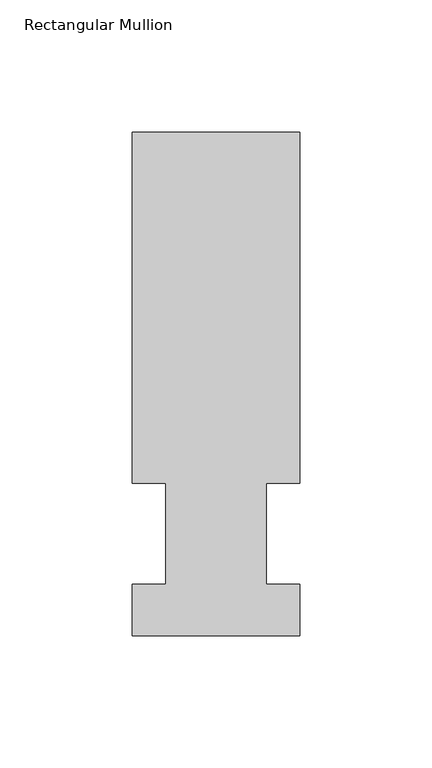
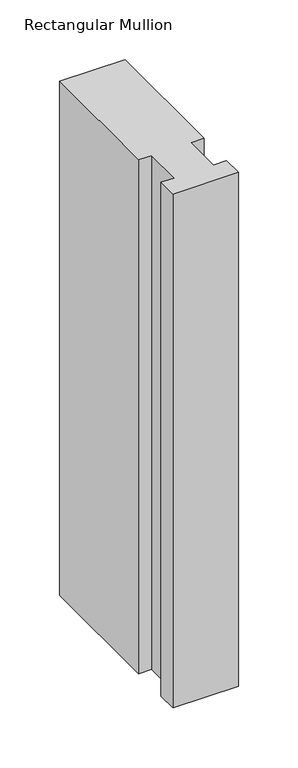
"""IFC4 building model written with IfcOpenShell, lengths in millimetres: member geometry, Rectangular Mullion."""

from ifc_helpers import new_model, si_unit, frame, origin, place, context, project, spatial, polyline, outline, extrude, source, transform, mapped, element, save


def rectangular_mullion_9567c9ca(model_context):
    return source(origin(), model_context, "Body", "SweptSolid", [
        extrude(outline(polyline([(-63.5, 190.5896938), (0.0, 190.5896938), (0.0, 57.6460937), (-12.6873, 57.6460937), (-12.6873, 19.5460938), (0.0, 19.5460938), (0.0, 0.0134938), (-63.5, 0.0134938), (-63.5, 19.5460938), (-50.8, 19.5460938), (-50.8, 57.6460937), (-63.5, 57.6460937), (-63.5, 190.5896938)])), frame((0.0, 0.0, -527.1259305), z_axis=(0.0, 0.0, 1.0), x_axis=(1.0, 0.0, 0.0)), (0.0, 0.0, 1.0), 527.1259305),
    ])


if __name__ == "__main__":
    model = new_model("IFC4")
    model_context = context("Model", 3, world=origin())
    ifc_project = project(units=[si_unit("LENGTHUNIT", "METRE", prefix="MILLI")], contexts=[model_context])
    site = spatial("IfcSite", under=ifc_project)
    building = spatial("IfcBuilding", under=site)
    placement = place(None, origin())
    rectangular_mullion_shape = rectangular_mullion_9567c9ca(model_context)
    element("IfcMember", 1, ObjectType="Rectangular Mullion", at=placement, inside=building, context=model_context, shape_type="MappedRepresentation", body=[
        mapped(rectangular_mullion_shape, transform((0.0, 0.0, 0.0), x_axis=(1.0, 0.0, 0.0), y_axis=(0.0, 1.0, 0.0), z_axis=(0.0, 0.0, 1.0))),
    ])
    save(model, "model.ifc")
